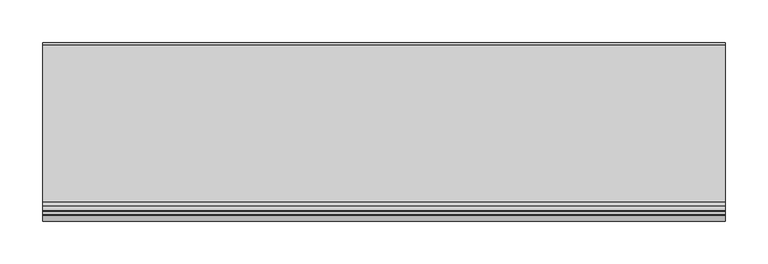
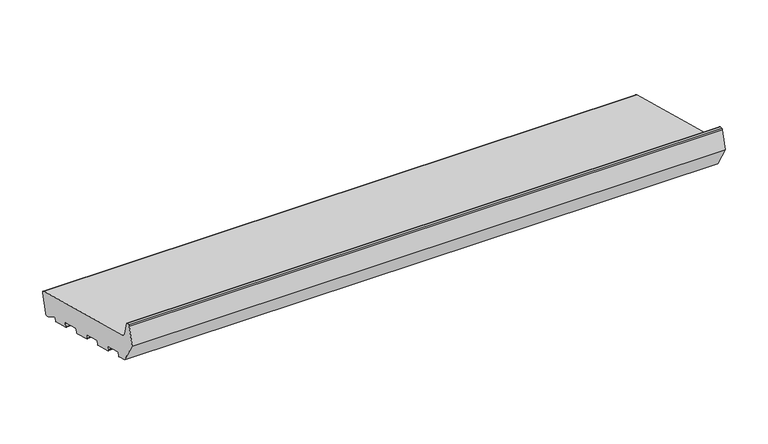
"""IFC4 building model written with IfcOpenShell, lengths in millimetres: proxy geometry."""

import ifcopenshell
import ifcopenshell.guid

model = None  # the IFC model being written
_history = None  # IfcOwnerHistory: only IFC2X3 demands one
_inside = {}  # id of a spatial element -> (the spatial element, [elements in it])
_under = {}  # id of a project, library or spatial element -> (it, [spatial elements below it])
_declared = {}  # id of a project -> (the project, [libraries it declares])
_typed = {}  # id of a type object -> (the type object, [elements of that type])
_made_of = {}  # id of a material, layer set ... -> (it, [elements and type objects made of it])


def new_model(schema):
    """Start an empty IFC model of exactly this schema.

    Asked for "IFC4X3", IfcOpenShell would pick the latest addendum, in which some entities
    have other attributes; the version numbers below select the first issue.
    IFC2X3 requires an IfcOwnerHistory on every rooted entity: one is made here for all.
    """
    global model, _history
    if schema == "IFC4X3":
        model = ifcopenshell.file(schema_version=(4, 3, 0, 0))
    else:
        model = ifcopenshell.file(schema=schema)
    _inside.clear()
    _under.clear()
    _declared.clear()
    _typed.clear()
    _made_of.clear()
    _history = None
    if model.schema == "IFC2X3":
        org = make("IfcOrganization", Name="unknown")
        user = make(
            "IfcPersonAndOrganization",
            ThePerson=make("IfcPerson", FamilyName="unknown"),
            TheOrganization=org,
        )
        app = make(
            "IfcApplication",
            ApplicationDeveloper=org,
            Version="unknown",
            ApplicationFullName="unknown",
            ApplicationIdentifier="unknown",
        )
        _history = make(
            "IfcOwnerHistory",
            OwningUser=user,
            OwningApplication=app,
            ChangeAction="ADDED",
            CreationDate=0,
        )
    return model


def make(cls, **values):
    """One entity of the class cls with the attributes given. An attribute that is None is left unset."""
    return model.create_entity(
        cls, **{name: value for name, value in values.items() if value is not None}
    )


def rooted(cls, **values):
    """An entity with a GlobalId (a new one), such as an element, a storey or a relation."""
    return make(cls, GlobalId=ifcopenshell.guid.new(), OwnerHistory=_history, **values)


def si_unit(unit_type, name, prefix=None):
    """IfcSIUnit, for example si_unit("LENGTHUNIT", "METRE", prefix="MILLI")."""
    return make("IfcSIUnit", UnitType=unit_type, Prefix=prefix, Name=name)


def assignment(units):
    """IfcUnitAssignment: the units of a project."""
    return None if units is None else make("IfcUnitAssignment", Units=units)


def point(xyz):
    """IfcCartesianPoint."""
    return None if xyz is None else make("IfcCartesianPoint", Coordinates=xyz)


def direction(xyz):
    """IfcDirection."""
    return None if xyz is None else make("IfcDirection", DirectionRatios=xyz)


def frame(location, z_axis=None, x_axis=None):
    """IfcAxis2Placement3D, a coordinate frame: its origin and axes. An axis left out is left unset."""
    return make(
        "IfcAxis2Placement3D",
        Location=point(location),
        Axis=direction(z_axis),
        RefDirection=direction(x_axis),
    )


def frame_2d(location, x_axis=None):
    """IfcAxis2Placement2D, a coordinate frame in the plane: its origin and x axis."""
    return make(
        "IfcAxis2Placement2D", Location=point(location), RefDirection=direction(x_axis)
    )


def origin():
    """The frame at (0, 0, 0) with its axes left unset."""
    return frame((0.0, 0.0, 0.0))


def place(relative_to, where):
    """IfcLocalPlacement: puts the frame where relative to a parent placement (None: the world)."""
    return make(
        "IfcLocalPlacement", PlacementRelTo=relative_to, RelativePlacement=where
    )


def context(
    kind, dimensions, precision=None, world=None, true_north=None, identifier=None
):
    """IfcGeometricRepresentationContext, for example the 3D "Model" context."""
    return make(
        "IfcGeometricRepresentationContext",
        ContextIdentifier=identifier,
        ContextType=kind,
        CoordinateSpaceDimension=dimensions,
        Precision=precision,
        WorldCoordinateSystem=world,
        TrueNorth=true_north,
    )


def project(units=None, contexts=None):
    """IfcProject with its units and contexts."""
    return rooted(
        "IfcProject",
        Name="project",
        RepresentationContexts=contexts,
        UnitsInContext=assignment(units),
    )


def spatial(cls, under=None, at=None, **own):
    """A site, building, storey or space (cls), placed at a placement, below another one or the project."""
    s = rooted(cls, ObjectPlacement=at, **own)
    if under is not None:
        _under.setdefault(under.id(), (under, []))[1].append(s)
    return s


def polyline(points):
    """IfcPolyline through the points."""
    return make("IfcPolyline", Points=[point(p) for p in points])


def circle_curve(where, radius):
    """IfcCircle in the frame where."""
    return make("IfcCircle", Position=where, Radius=radius)


def trimmed(basis, trim1, trim2, sense, master):
    """IfcTrimmedCurve: the piece of a basis curve between two trims."""
    return make(
        "IfcTrimmedCurve",
        BasisCurve=basis,
        Trim1=trim1,
        Trim2=trim2,
        SenseAgreement=sense,
        MasterRepresentation=master,
    )


def segment(curve, same_sense, transition):
    """IfcCompositeCurveSegment."""
    return make(
        "IfcCompositeCurveSegment",
        Transition=transition,
        SameSense=same_sense,
        ParentCurve=curve,
    )


def composite_curve(segments, self_intersect=None):
    """IfcCompositeCurve: segments joined end to end."""
    return make("IfcCompositeCurve", Segments=segments, SelfIntersect=self_intersect)


def outline(outer, holes=None, kind="AREA"):
    """IfcArbitraryClosedProfileDef: a profile drawn as a closed curve; with holes, ...WithVoids."""
    if holes is None:
        return make("IfcArbitraryClosedProfileDef", ProfileType=kind, OuterCurve=outer)
    return make(
        "IfcArbitraryProfileDefWithVoids",
        ProfileType=kind,
        OuterCurve=outer,
        InnerCurves=holes,
    )


def extrude(swept, where, along, depth):
    """IfcExtrudedAreaSolid: the profile swept, set in the frame where, extruded along a direction by depth."""
    return make(
        "IfcExtrudedAreaSolid",
        SweptArea=swept,
        Position=where,
        ExtrudedDirection=direction(along),
        Depth=depth,
    )


def shape(context_of_items, identifier, shape_type, items):
    """IfcShapeRepresentation: the items that make up one representation, for example the "Body"."""
    return make(
        "IfcShapeRepresentation",
        ContextOfItems=context_of_items,
        RepresentationIdentifier=identifier,
        RepresentationType=shape_type,
        Items=items,
    )


def source(mapping_origin, context_of_items, identifier, shape_type, items):
    """IfcRepresentationMap: a shape defined once, which mapped items show again and again."""
    return make(
        "IfcRepresentationMap",
        MappingOrigin=mapping_origin,
        MappedRepresentation=shape(context_of_items, identifier, shape_type, items),
    )


def transform(
    local_origin,
    x_axis=None,
    y_axis=None,
    z_axis=None,
    scale=None,
    scale2=None,
    scale3=None,
    uniform=True,
):
    """IfcCartesianTransformationOperator3D, or its non-uniform kind. x_axis, y_axis, z_axis: its Axis1, 2, 3."""
    if uniform:
        return make(
            "IfcCartesianTransformationOperator3D",
            Axis1=direction(x_axis),
            Axis2=direction(y_axis),
            LocalOrigin=point(local_origin),
            Scale=scale,
            Axis3=direction(z_axis),
        )
    return make(
        "IfcCartesianTransformationOperator3DnonUniform",
        Axis1=direction(x_axis),
        Axis2=direction(y_axis),
        LocalOrigin=point(local_origin),
        Scale=scale,
        Axis3=direction(z_axis),
        Scale2=scale2,
        Scale3=scale3,
    )


def mapped(mapping_source, mapping_target):
    """IfcMappedItem: shows the shape of a source again, moved by a transform."""
    return make(
        "IfcMappedItem", MappingSource=mapping_source, MappingTarget=mapping_target
    )


def made_of(thing, what):
    """Note that an element or type object is made of a material, layer set ...; save() writes the relation."""
    if what is not None:
        _made_of.setdefault(what.id(), (what, []))[1].append(thing)
    return thing


def element(
    cls,
    number,
    at=None,
    inside=None,
    cuts=None,
    type_object=None,
    material=None,
    context=None,
    identifier="Body",
    shape_type=None,
    held_by="IfcProductDefinitionShape",
    body=None,
    shapes=None,
    **own,
):
    """One element of the class cls, such as IfcWall. Its Tag is "e" and its number.

    at: its placement. inside: the storey or other place that contains it. cuts: it is an
    opening in that element (IfcRelVoidsElement). A single representation is given by context,
    identifier, shape_type and body (its items); several are given by shapes. held_by: the class
    of the entity that holds the representations. save() writes the other relations.
    """
    e = rooted(cls, Tag="e%d" % number, ObjectPlacement=at, **own)
    if body is not None:
        shapes = [shape(context, identifier, shape_type, body)]
    if shapes is not None:
        e.Representation = make(held_by, Representations=shapes)
    if inside is not None:
        _inside.setdefault(inside.id(), (inside, []))[1].append(e)
    if cuts is not None:
        rooted(
            "IfcRelVoidsElement", RelatingBuildingElement=cuts, RelatedOpeningElement=e
        )
    if type_object is not None:
        _typed.setdefault(type_object.id(), (type_object, []))[1].append(e)
    return made_of(e, material)


def aggregate(whole, parts):
    """IfcRelAggregates: a whole, such as a stair, and the parts it consists of."""
    return rooted("IfcRelAggregates", RelatingObject=whole, RelatedObjects=parts)


def save(model, path):
    """Write the relations noted so far, then the file.

    IfcRelAggregates (storeys below a building ...), IfcRelContainedInSpatialStructure (elements
    in a storey), IfcRelDefinesByType, IfcRelAssociatesMaterial and IfcRelDeclares: one each for
    every whole, place, type object, material and project.
    """
    for whole, parts in _under.values():
        aggregate(whole, parts)
    for where, things in _inside.values():
        rooted(
            "IfcRelContainedInSpatialStructure",
            RelatedElements=things,
            RelatingStructure=where,
        )
    for kind, things in _typed.values():
        rooted("IfcRelDefinesByType", RelatedObjects=things, RelatingType=kind)
    for what, things in _made_of.values():
        rooted("IfcRelAssociatesMaterial", RelatedObjects=things, RelatingMaterial=what)
    for by, libraries in _declared.values():
        rooted("IfcRelDeclares", RelatingContext=by, RelatedDefinitions=libraries)
    model.write(path)


def generic_models_3a1d28ce(model_context):
    return source(origin(), model_context, "Body", "SweptSolid", [
        extrude(outline(composite_curve([segment(polyline([(27.5646181, 4.649359), (24.8478405, 5.3773174), (10.6796108, 13.9647636)]), True, "CONTINUOUS"), segment(trimmed(circle_curve(frame_2d((10.1612808, 13.1095829)), 1.0), [point((10.6796108, 13.9647636))], [point((9.195355, 13.368402))], True, "CARTESIAN"), True, "CONTINUOUS"), segment(polyline([(9.195355, 13.368402), (8.2461016, 9.8257399)]), True, "CONTINUOUS"), segment(trimmed(circle_curve(frame_2d((7.2801757, 10.084559)), 1.0), [point((8.2461016, 9.8257399))], [point((7.0213567, 9.1186331))], False, "CARTESIAN"), True, "CONTINUOUS"), segment(polyline([(7.0213567, 9.1186331), (-15.1949373, 15.0714712)]), True, "CONTINUOUS"), segment(trimmed(circle_curve(frame_2d((-14.9361183, 16.037397)), 1.0), [point((-15.1949373, 15.0714712))], [point((-15.9020441, 16.2962161))], False, "CARTESIAN"), True, "CONTINUOUS"), segment(polyline([(-15.9020441, 16.2962161), (-14.8667679, 20.1599194)]), True, "CONTINUOUS"), segment(trimmed(circle_curve(frame_2d((-15.8326937, 20.4187384)), 1.0), [point((-14.8667679, 20.1599194))], [point((-15.5738747, 21.3846642))], True, "CARTESIAN"), True, "CONTINUOUS"), segment(polyline([(-15.5738747, 21.3846642), (-38.7560945, 27.5963213)]), True, "CONTINUOUS"), segment(trimmed(circle_curve(frame_2d((-39.0149136, 26.6303955)), 1.0), [point((-38.7560945, 27.5963213))], [point((-39.9808394, 26.8892145))], True, "CARTESIAN"), True, "CONTINUOUS"), segment(polyline([(-39.9808394, 26.8892145), (-41.0161156, 23.0255112)]), True, "CONTINUOUS"), segment(trimmed(circle_curve(frame_2d((-41.9820414, 23.2843303)), 1.0), [point((-41.0161156, 23.0255112))], [point((-42.2408604, 22.3184044))], False, "CARTESIAN"), True, "CONTINUOUS"), segment(polyline([(-42.2408604, 22.3184044), (-64.4571545, 28.2712425)]), True, "CONTINUOUS"), segment(trimmed(circle_curve(frame_2d((-64.1983354, 29.2371683)), 1.0), [point((-64.4571545, 28.2712425))], [point((-65.1642612, 29.4959874))], False, "CARTESIAN"), True, "CONTINUOUS"), segment(polyline([(-65.1642612, 29.4959874), (-64.1289851, 33.3596907)]), True, "CONTINUOUS"), segment(trimmed(circle_curve(frame_2d((-65.0949109, 33.6185097)), 1.0), [point((-64.1289851, 33.3596907))], [point((-64.8360918, 34.5844355))], True, "CARTESIAN"), True, "CONTINUOUS"), segment(polyline([(-64.8360918, 34.5844355), (-88.0183117, 40.7960926)]), True, "CONTINUOUS"), segment(trimmed(circle_curve(frame_2d((-88.2771307, 39.8301668)), 1.0), [point((-88.0183117, 40.7960926))], [point((-89.2430565, 40.0889858))], True, "CARTESIAN"), True, "CONTINUOUS"), segment(polyline([(-89.2430565, 40.0889858), (-90.2783327, 36.2252825)]), True, "CONTINUOUS"), segment(trimmed(circle_curve(frame_2d((-91.2442585, 36.4841016)), 1.0), [point((-90.2783327, 36.2252825))], [point((-91.5030776, 35.5181757))], False, "CARTESIAN"), True, "CONTINUOUS"), segment(polyline([(-91.5030776, 35.5181757), (-113.7193716, 41.4710138)]), True, "CONTINUOUS"), segment(trimmed(circle_curve(frame_2d((-113.4605525, 42.4369396)), 1.0), [point((-113.7193716, 41.4710138))], [point((-114.4264784, 42.6957587))], False, "CARTESIAN"), True, "CONTINUOUS"), segment(polyline([(-114.4264784, 42.6957587), (-113.3912022, 46.559462)]), True, "CONTINUOUS"), segment(trimmed(circle_curve(frame_2d((-114.357128, 46.818281)), 1.0), [point((-113.3912022, 46.559462))], [point((-114.098309, 47.7842068))], True, "CARTESIAN"), True, "CONTINUOUS"), segment(polyline([(-114.098309, 47.7842068), (-137.2805288, 53.9958639)]), True, "CONTINUOUS"), segment(trimmed(circle_curve(frame_2d((-137.5393479, 53.0299381)), 1.0), [point((-137.2805288, 53.9958639))], [point((-138.5052737, 53.2887571))], True, "CARTESIAN"), True, "CONTINUOUS"), segment(polyline([(-138.5052737, 53.2887571), (-139.5405499, 49.4250538)]), True, "CONTINUOUS"), segment(trimmed(circle_curve(frame_2d((-140.5064757, 49.6838729)), 1.0), [point((-139.5405499, 49.4250538))], [point((-140.7652947, 48.717947))], False, "CARTESIAN"), True, "CONTINUOUS"), segment(polyline([(-140.7652947, 48.717947), (-153.3223305, 52.0825946), (-171.0, 82.7012164), (-164.4291321, 107.2240293)]), True, "CONTINUOUS"), segment(trimmed(circle_curve(frame_2d((-162.9802434, 106.8358007)), 1.5), [point((-164.4291321, 107.2240293))], [point((-162.9802434, 108.3358007))], False, "CARTESIAN"), True, "CONTINUOUS"), segment(polyline([(-162.9802434, 108.3358007), (-159.6368689, 108.3358007)]), True, "CONTINUOUS"), segment(trimmed(circle_curve(frame_2d((-159.6368689, 106.8358007)), 1.5), [point((-159.6368689, 108.3358007))], [point((-158.1879801, 107.2240293))], False, "CARTESIAN"), True, "CONTINUOUS"), segment(polyline([(-158.1879801, 107.2240293), (-153.4052841, 89.3747645)]), True, "CONTINUOUS"), segment(trimmed(circle_curve(frame_2d((-147.6097291, 90.9276787)), 6.0), [point((-153.4052841, 89.3747645))], [point((-149.1626434, 85.1321238))], True, "CARTESIAN"), True, "CONTINUOUS"), segment(polyline([(-149.1626434, 85.1321238), (35.8468275, 35.5589855)]), True, "CONTINUOUS"), segment(trimmed(circle_curve(frame_2d((35.0703704, 32.661208)), 3.0), [point((35.8468275, 35.5589855))], [point((37.9681479, 31.8847509))], False, "CARTESIAN"), True, "CONTINUOUS"), segment(polyline([(37.9681479, 31.8847509), (31.2388527, 6.7706794)]), True, "CONTINUOUS"), segment(trimmed(circle_curve(frame_2d((28.3410752, 7.5471365)), 3.0), [point((31.2388527, 6.7706794))], [point((27.5646181, 4.649359))], False, "CARTESIAN"), True, "CONTINUOUS")], self_intersect=False)), frame((0.0, 0.0, 0.0), z_axis=(1.0, 0.0, 0.0), x_axis=(0.0, 1.0, 0.0)), (0.0, 0.0, 1.0), 800.0),
    ])


if __name__ == "__main__":
    model = new_model("IFC4")
    model_context = context("Model", 3, world=origin())
    ifc_project = project(units=[si_unit("LENGTHUNIT", "METRE", prefix="MILLI")], contexts=[model_context])
    site = spatial("IfcSite", under=ifc_project)
    building = spatial("IfcBuilding", under=site)
    placement = place(None, origin())
    generic_models_shape = generic_models_3a1d28ce(model_context)
    element("IfcBuildingElementProxy", 1, Name="Generic Models", at=placement, inside=building, context=model_context, shape_type="MappedRepresentation", body=[
        mapped(generic_models_shape, transform((0.0, 0.0, 0.0), x_axis=(1.0, 0.0, 0.0), y_axis=(0.0, 1.0, 0.0), z_axis=(0.0, 0.0, 1.0))),
    ])
    save(model, "model.ifc")
